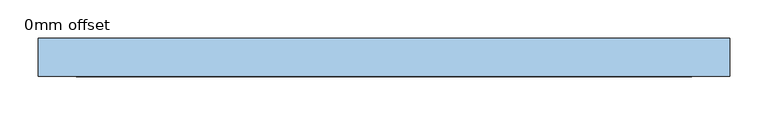
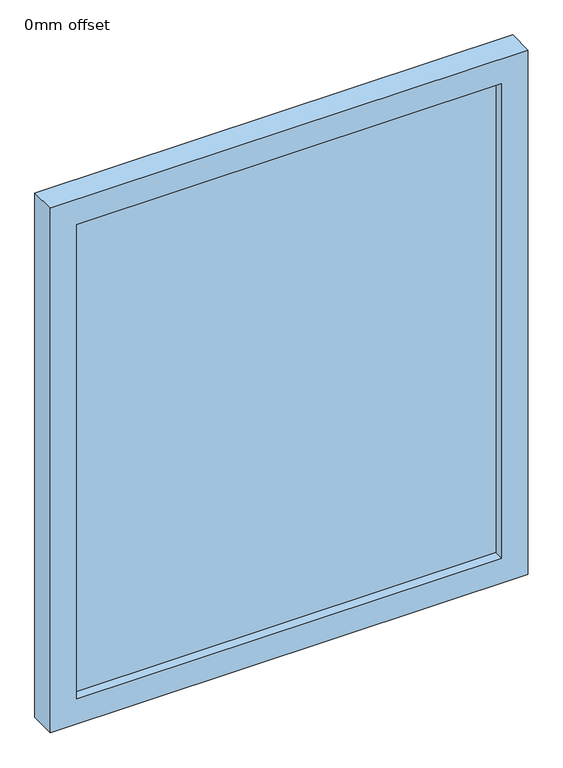
"""IFC4 building model written with IfcOpenShell, lengths in millimetres: window geometry, 0mm offset."""

from ifc_helpers import new_model, si_unit, frame, origin, place, context, project, spatial, polyline, outline, extrude, source, transform, mapped, element, save


def window_0mm_offset_817027a0(model_context):
    return source(origin(), model_context, "Body", "SweptSolid", [
        extrude(outline(polyline([(402.5, 30.95), (402.5, 18.25), (-402.5, 18.25), (-402.5, 30.95), (402.5, 30.95)])), frame((0.0, 0.0, 50.0), z_axis=(0.0, 0.0, 1.0), x_axis=(1.0, 0.0, 0.0)), (0.0, 0.0, 1.0), 950.0),
        extrude(outline(polyline([(1050.0, -452.5), (0.0, -452.5), (0.0, 452.5), (1050.0, 452.5), (1050.0, -452.5)]), holes=[polyline([(1000.0, -402.5), (1000.0, 402.5), (50.0, 402.5), (50.0, -402.5), (1000.0, -402.5)])]), frame((0.0, 0.0, 0.0), z_axis=(0.0, 1.0, 0.0), x_axis=(0.0, 0.0, 1.0)), (0.0, 0.0, 1.0), 50.0),
    ])


if __name__ == "__main__":
    model = new_model("IFC4")
    model_context = context("Model", 3, world=origin())
    ifc_project = project(units=[si_unit("LENGTHUNIT", "METRE", prefix="MILLI")], contexts=[model_context])
    site = spatial("IfcSite", under=ifc_project)
    building = spatial("IfcBuilding", under=site)
    placement = place(None, origin())
    window_0mm_offset_shape = window_0mm_offset_817027a0(model_context)
    element("IfcWindow", 1, ObjectType="0mm offset", at=placement, inside=building, context=model_context, shape_type="MappedRepresentation", body=[
        mapped(window_0mm_offset_shape, transform((0.0, 0.0, 0.0), x_axis=(1.0, 0.0, 0.0), y_axis=(0.0, 1.0, 0.0), z_axis=(0.0, 0.0, 1.0))),
    ])
    save(model, "model.ifc")
